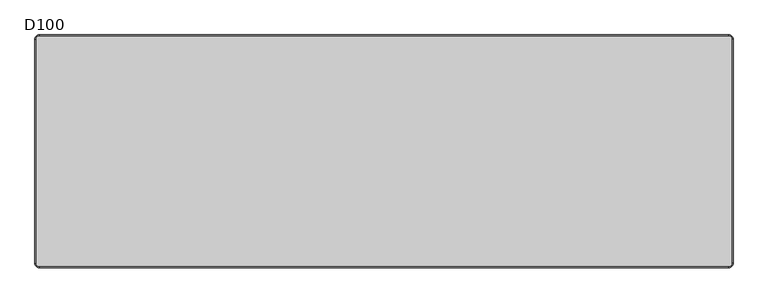
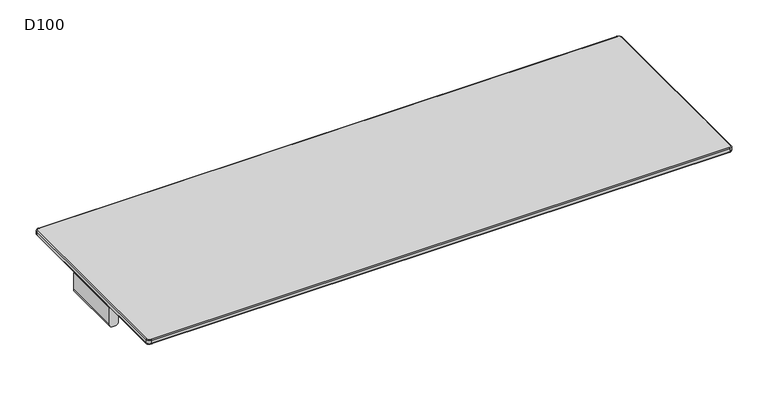
"""IFC4 building model written with IfcOpenShell, lengths in millimetres: furniture geometry, D100."""

from ifc_helpers import new_model, si_unit, point, frame, frame_2d, origin, place, context, project, spatial, polyline, circle_curve, ellipse_curve, trimmed, segment, composite_curve, outline, extrude, source, transform, mapped, element, save
from ifc_brep_helpers import plane_surface, cylinder_surface, revolved_surface, advanced_brep


def d100_18806be6(model_context):
    return source(origin(), model_context, "Body", "SolidModel", [
        extrude(outline(composite_curve([segment(polyline([(791.0006338, 1499.0), (880.0006338, 1499.0), (880.0006338, 1454.0), (791.0006338, 1454.0)]), True, "CONTINUOUS"), segment(trimmed(circle_curve(frame_2d((791.0006338, 1469.0)), 15.0), [point((791.0006338, 1454.0))], [point((776.0006338, 1469.0))], False, "CARTESIAN"), True, "CONTINUOUS"), segment(polyline([(776.0006338, 1469.0), (776.0006338, 1484.0)]), True, "CONTINUOUS"), segment(trimmed(circle_curve(frame_2d((791.0006338, 1484.0)), 15.0), [point((776.0006338, 1484.0))], [point((791.0006338, 1499.0))], False, "CARTESIAN"), True, "CONTINUOUS")], self_intersect=False)), frame((0.0, -159.2234902, 0.0), z_axis=(0.0, 1.0, 0.0), x_axis=(0.0, 0.0, 1.0)), (0.0, 0.0, 1.0), 318.4469804),
        extrude(outline(composite_curve([segment(polyline([(791.0006338, 0.0), (880.0006338, 0.0), (880.0006338, -45.0), (791.0006338, -45.0)]), True, "CONTINUOUS"), segment(trimmed(circle_curve(frame_2d((791.0006338, -30.0)), 15.0), [point((791.0006338, -45.0))], [point((776.0006338, -30.0))], False, "CARTESIAN"), True, "CONTINUOUS"), segment(polyline([(776.0006338, -30.0), (776.0006338, -15.0)]), True, "CONTINUOUS"), segment(trimmed(circle_curve(frame_2d((791.0006338, -15.0)), 15.0), [point((776.0006338, -15.0))], [point((791.0006338, 0.0))], False, "CARTESIAN"), True, "CONTINUOUS")], self_intersect=False)), frame((0.0, -159.2234902, 0.0), z_axis=(0.0, 1.0, 0.0), x_axis=(0.0, 0.0, 1.0)), (0.0, 0.0, 1.0), 318.4469804),
        extrude(outline(composite_curve([segment(trimmed(circle_curve(frame_2d((791.0006338, 15.0)), 15.0), [point((791.0006338, 0.0))], [point((776.0006338, 15.0))], False, "CARTESIAN"), True, "CONTINUOUS"), segment(polyline([(776.0006338, 15.0), (776.0006338, 30.0)]), True, "CONTINUOUS"), segment(trimmed(circle_curve(frame_2d((791.0006338, 30.0)), 15.0), [point((776.0006338, 30.0))], [point((791.0006338, 45.0))], False, "CARTESIAN"), True, "CONTINUOUS"), segment(polyline([(791.0006338, 45.0), (880.0006338, 45.0), (880.0006338, 0.0), (791.0006338, 0.0)]), True, "CONTINUOUS")], self_intersect=False)), frame((0.0, -159.2234902, 0.0), z_axis=(0.0, 1.0, 0.0), x_axis=(0.0, 0.0, 1.0)), (0.0, 0.0, 1.0), 318.4469804),
        extrude(outline(composite_curve([segment(trimmed(circle_curve(frame_2d((791.0006338, -1484.0)), 15.0), [point((791.0006338, -1499.0))], [point((776.0006338, -1484.0))], False, "CARTESIAN"), True, "CONTINUOUS"), segment(polyline([(776.0006338, -1484.0), (776.0006338, -1469.0)]), True, "CONTINUOUS"), segment(trimmed(circle_curve(frame_2d((791.0006338, -1469.0)), 15.0), [point((776.0006338, -1469.0))], [point((791.0006338, -1454.0))], False, "CARTESIAN"), True, "CONTINUOUS"), segment(polyline([(791.0006338, -1454.0), (880.0006338, -1454.0), (880.0006338, -1499.0), (791.0006338, -1499.0)]), True, "CONTINUOUS")], self_intersect=False)), frame((0.0, -159.2234902, 0.0), z_axis=(0.0, 1.0, 0.0), x_axis=(0.0, 0.0, 1.0)), (0.0, 0.0, 1.0), 318.4469804),
        advanced_brep(
        [(-1482.0, 495.0, 912.0006338), (-1495.0, 482.0, 912.0006338), (-1495.0, -482.0, 912.0006338), (-1482.0, -495.0, 912.0006338), (1482.0, -495.0, 912.0006338), (1495.0, -482.0, 912.0006338), (1495.0, 482.0, 912.0006338), (1482.0, 495.0, 912.0006338), (-1495.0, 482.0, 886.0006338), (-1482.0, 495.0, 886.0006338), (1482.0, 495.0, 886.0006338), (1495.0, 482.0, 886.0006338), (1495.0, -482.0, 886.0006338), (1482.0, -495.0, 886.0006338), (-1482.0, -495.0, 886.0006338), (-1495.0, -482.0, 886.0006338), (-1500.0, 482.0, 907.0006383), (-1500.0, 482.0, 891.0006338), (-1500.0, -482.0, 891.0006338), (-1500.0, -482.0, 907.0006338), (-1482.0, -500.0, 891.0006338), (-1482.0, -500.0, 907.0006363), (1482.0, -500.0, 891.0006338), (1482.0, -500.0, 907.0006338), (1500.0, -482.0, 891.0006338), (1500.0, -482.0, 907.0006359), (1500.0, 482.0, 891.0006338), (1500.0, 482.0, 907.0006338), (-1482.0, 500.0, 891.0006338), (-1482.0, 500.0, 907.0006338), (1482.0, 500.0, 891.0006338), (1482.0, 500.0, 907.0006338)],
        [
            (0, 1, circle_curve(frame((-1482.0, 482.0, 912.0006338), z_axis=(0.0, 0.0, 1.0), x_axis=(0.0, 1.0, 0.0)), 13.0)),
            (1, 2),
            (2, 3, circle_curve(frame((-1482.0, -482.0, 912.0006338), z_axis=(0.0, 0.0, 1.0), x_axis=(-1.0, 0.0, 0.0)), 13.0)),
            (3, 4),
            (4, 5, circle_curve(frame((1482.0, -482.0, 912.0006338), z_axis=(0.0, 0.0, 1.0), x_axis=(0.0, -1.0, 0.0)), 13.0)),
            (5, 6),
            (6, 7, circle_curve(frame((1482.0, 482.0, 912.0006338), z_axis=(0.0, 0.0, 1.0), x_axis=(1.0, 0.0, 0.0)), 13.0)),
            (7, 0),
            (8, 9, circle_curve(frame((-1482.0, 482.0, 886.0006338), z_axis=(0.0, 0.0, -1.0), x_axis=(0.0, 1.0, 0.0)), 13.0)),
            (9, 10),
            (10, 11, circle_curve(frame((1482.0, 482.0, 886.0006338), z_axis=(0.0, 0.0, -1.0), x_axis=(1.0, 0.0, 0.0)), 13.0)),
            (11, 12),
            (12, 13, circle_curve(frame((1482.0, -482.0, 886.0006338), z_axis=(0.0, 0.0, -1.0), x_axis=(0.0, -1.0, 0.0)), 13.0)),
            (13, 14),
            (14, 15, circle_curve(frame((-1482.0, -482.0, 886.0006338), z_axis=(0.0, 0.0, -1.0), x_axis=(-1.0, 0.0, 0.0)), 13.0)),
            (15, 8),
            (16, 17),
            (17, 18),
            (18, 19),
            (19, 16),
            (18, 20, circle_curve(frame((-1482.0, -482.0, 891.0006338), z_axis=(0.0, 0.0, 1.0), x_axis=(1.0, 0.0, 0.0)), 18.0)),
            (20, 21),
            (21, 19, circle_curve(frame((-1482.0, -482.0, 907.0006338), z_axis=(0.0, 0.0, -1.0), x_axis=(1.0, 0.0, 0.0)), 18.0)),
            (20, 22),
            (22, 23),
            (23, 21),
            (22, 24, circle_curve(frame((1482.0, -482.0, 891.0006338), z_axis=(0.0, 0.0, 1.0), x_axis=(1.0, 0.0, 0.0)), 18.0)),
            (24, 25),
            (25, 23, circle_curve(frame((1482.0, -482.0, 907.0006338), z_axis=(0.0, 0.0, -1.0), x_axis=(1.0, 0.0, 0.0)), 18.0)),
            (24, 26),
            (26, 27),
            (27, 25),
            (8, 17, circle_curve(frame((-1495.0, 482.0, 891.0006338), z_axis=(0.0, 1.0, 0.0), x_axis=(1.0, 0.0, 0.0)), 5.0)),
            (17, 28, circle_curve(frame((-1482.0, 482.0, 891.0006338), z_axis=(0.0, 0.0, -1.0), x_axis=(0.0, 1.0, 0.0)), 18.0)),
            (28, 9, circle_curve(frame((-1482.0, 495.0, 891.0006338), z_axis=(-1.0, 0.0, 0.0), x_axis=(0.0, -1.0, 0.0)), 5.0)),
            (16, 1, circle_curve(frame((-1495.0, 482.0, 907.0006338), z_axis=(0.0, 1.0, 0.0), x_axis=(1.0, 0.0, 0.0)), 5.0)),
            (0, 29, circle_curve(frame((-1482.0, 495.0, 907.0006338), z_axis=(-1.0, 0.0, 0.0), x_axis=(0.0, -1.0, 0.0)), 5.0)),
            (29, 16, circle_curve(frame((-1482.0, 482.0, 907.0006338), z_axis=(0.0, 0.0, 1.0), x_axis=(0.0, 1.0, 0.0)), 18.0)),
            (15, 18, circle_curve(frame((-1495.0, -482.0, 891.0006338), z_axis=(0.0, 1.0, 0.0), x_axis=(1.0, 0.0, 0.0)), 5.0)),
            (19, 2, circle_curve(frame((-1495.0, -482.0, 907.0006338), z_axis=(0.0, 1.0, 0.0), x_axis=(1.0, 0.0, 0.0)), 5.0)),
            (14, 20, circle_curve(frame((-1482.0, -495.0, 891.0006338), z_axis=(-1.0, 0.0, 0.0), x_axis=(0.0, 1.0, 0.0)), 5.0)),
            (21, 3, circle_curve(frame((-1482.0, -495.0, 907.0006338), z_axis=(-1.0, 0.0, 0.0), x_axis=(0.0, 1.0, 0.0)), 5.0)),
            (13, 22, circle_curve(frame((1482.0, -495.0, 891.0006338), z_axis=(-1.0, 0.0, 0.0), x_axis=(0.0, 1.0, 0.0)), 5.0)),
            (23, 4, circle_curve(frame((1482.0, -495.0, 907.0006338), z_axis=(-1.0, 0.0, 0.0), x_axis=(0.0, 1.0, 0.0)), 5.0)),
            (12, 24, circle_curve(frame((1495.0, -482.0, 891.0006338), z_axis=(0.0, -1.0, 0.0), x_axis=(-1.0, 0.0, 0.0)), 5.0)),
            (25, 5, circle_curve(frame((1495.0, -482.0, 907.0006338), z_axis=(0.0, -1.0, 0.0), x_axis=(-1.0, 0.0, 0.0)), 5.0)),
            (11, 26, circle_curve(frame((1495.0, 482.0, 891.0006338), z_axis=(0.0, -1.0, 0.0), x_axis=(-1.0, 0.0, 0.0)), 5.0)),
            (27, 6, circle_curve(frame((1495.0, 482.0, 907.0006338), z_axis=(0.0, -1.0, 0.0), x_axis=(-1.0, 0.0, 0.0)), 5.0)),
            (10, 30, circle_curve(frame((1482.0, 495.0, 891.0006338), z_axis=(1.0, 0.0, 0.0), x_axis=(0.0, -1.0, 0.0)), 5.0)),
            (30, 26, circle_curve(frame((1482.0, 482.0, 891.0006338), z_axis=(0.0, 0.0, -1.0), x_axis=(1.0, 0.0, 0.0)), 18.0)),
            (27, 31, circle_curve(frame((1482.0, 482.0, 907.0006338), z_axis=(0.0, 0.0, 1.0), x_axis=(1.0, 0.0, 0.0)), 18.0)),
            (31, 7, circle_curve(frame((1482.0, 495.0, 907.0006338), z_axis=(1.0, 0.0, 0.0), x_axis=(0.0, -1.0, 0.0)), 5.0)),
            (28, 30),
            (31, 29),
            (30, 31),
            (28, 29),
        ],
        [
            plane_surface(frame((-1500.0, -482.0, 912.0006338), z_axis=(0.0, 0.0, 1.0), x_axis=(0.0, -1.0, 0.0))),
            plane_surface(frame((-1500.0, -482.0, 886.0006338), z_axis=(0.0, 0.0, -1.0), x_axis=(0.0, 1.0, 0.0))),
            plane_surface(frame((-1500.0, 482.0, 912.0006338), z_axis=(-1.0, 0.0, 0.0), x_axis=(0.0, 0.0, -1.0))),
            cylinder_surface(frame((-1482.0, -482.0, 886.0006338), z_axis=(0.0, 0.0, 1.0), x_axis=(1.0, 0.0, 0.0)), 18.0),
            plane_surface(frame((-1482.0, -500.0, 912.0006338), z_axis=(0.0, -1.0, 0.0), x_axis=(0.0, 0.0, -1.0))),
            cylinder_surface(frame((1482.0, -482.0, 886.0006338), z_axis=(0.0, 0.0, 1.0), x_axis=(1.0, 0.0, 0.0)), 18.0),
            plane_surface(frame((1500.0, -482.0, 912.0006338), z_axis=(1.0, 0.0, 0.0), x_axis=(0.0, 0.0, -1.0))),
            revolved_surface(trimmed(ellipse_curve(frame((-1482.0, 495.0, 891.0006338), z_axis=(1.0, 0.0, 0.0), x_axis=(0.0, -1.0, 0.0)), 5.0, 5.0), [point((-1482.0, 495.0, 886.0006338))], [point((-1482.0, 500.0, 891.0006338))], True, "CARTESIAN"), (-1482.0, 482.0, 0.0006338), (0.0, 0.0, 1.0)),
            revolved_surface(trimmed(ellipse_curve(frame((-1482.0, 495.0, 907.0006338), z_axis=(1.0, 0.0, 0.0), x_axis=(0.0, -1.0, 0.0)), 5.0, 5.0), [point((-1482.0, 500.0, 907.0006338))], [point((-1482.0, 495.0, 912.0006338))], True, "CARTESIAN"), (-1482.0, 482.0, 0.0006338), (0.0, 0.0, 1.0)),
            cylinder_surface(frame((-1495.0, 482.0, 891.0006338), z_axis=(0.0, -1.0, 0.0), x_axis=(1.0, 0.0, 0.0)), 5.0),
            cylinder_surface(frame((-1495.0, 482.0, 907.0006338), z_axis=(0.0, -1.0, 0.0), x_axis=(1.0, 0.0, 0.0)), 5.0),
            revolved_surface(trimmed(ellipse_curve(frame((-1495.0, -482.0, 891.0006338), z_axis=(0.0, 1.0, 0.0), x_axis=(1.0, 0.0, 0.0)), 5.0, 5.0), [point((-1495.0, -482.0, 886.0006338))], [point((-1500.0, -482.0, 891.0006338))], True, "CARTESIAN"), (-1482.0, -482.0, 0.0006338), (0.0, 0.0, 1.0)),
            revolved_surface(trimmed(ellipse_curve(frame((-1495.0, -482.0, 907.0006338), z_axis=(0.0, 1.0, 0.0), x_axis=(1.0, 0.0, 0.0)), 5.0, 5.0), [point((-1500.0, -482.0, 907.0006338))], [point((-1495.0, -482.0, 912.0006338))], True, "CARTESIAN"), (-1482.0, -482.0, 0.0006338), (0.0, 0.0, 1.0)),
            cylinder_surface(frame((-1482.0, -495.0, 891.0006338), z_axis=(1.0, 0.0, 0.0), x_axis=(0.0, 1.0, 0.0)), 5.0),
            cylinder_surface(frame((-1482.0, -495.0, 907.0006338), z_axis=(1.0, 0.0, 0.0), x_axis=(0.0, 1.0, 0.0)), 5.0),
            revolved_surface(trimmed(ellipse_curve(frame((1482.0, -495.0, 891.0006338), z_axis=(-1.0, 0.0, 0.0), x_axis=(0.0, 1.0, 0.0)), 5.0, 5.0), [point((1482.0, -495.0, 886.0006338))], [point((1482.0, -500.0, 891.0006338))], True, "CARTESIAN"), (1482.0, -482.0, 0.0006338), (0.0, 0.0, 1.0)),
            revolved_surface(trimmed(ellipse_curve(frame((1482.0, -495.0, 907.0006338), z_axis=(-1.0, 0.0, 0.0), x_axis=(0.0, 1.0, 0.0)), 5.0, 5.0), [point((1482.0, -500.0, 907.0006338))], [point((1482.0, -495.0, 912.0006338))], True, "CARTESIAN"), (1482.0, -482.0, 0.0006338), (0.0, 0.0, 1.0)),
            cylinder_surface(frame((1495.0, -482.0, 891.0006338), z_axis=(0.0, 1.0, 0.0), x_axis=(-1.0, 0.0, 0.0)), 5.0),
            cylinder_surface(frame((1495.0, -482.0, 907.0006338), z_axis=(0.0, 1.0, 0.0), x_axis=(-1.0, 0.0, 0.0)), 5.0),
            revolved_surface(trimmed(ellipse_curve(frame((1495.0, 482.0, 891.0006338), z_axis=(0.0, -1.0, 0.0), x_axis=(-1.0, 0.0, 0.0)), 5.0, 5.0), [point((1495.0, 482.0, 886.0006338))], [point((1500.0, 482.0, 891.0006338))], True, "CARTESIAN"), (1482.0, 482.0, 0.0006338), (0.0, 0.0, 1.0)),
            revolved_surface(trimmed(ellipse_curve(frame((1495.0, 482.0, 907.0006338), z_axis=(0.0, -1.0, 0.0), x_axis=(-1.0, 0.0, 0.0)), 5.0, 5.0), [point((1500.0, 482.0, 907.0006338))], [point((1495.0, 482.0, 912.0006338))], True, "CARTESIAN"), (1482.0, 482.0, 0.0006338), (0.0, 0.0, 1.0)),
            cylinder_surface(frame((1482.0, 495.0, 891.0006338), z_axis=(-1.0, 0.0, 0.0), x_axis=(0.0, -1.0, 0.0)), 5.0),
            cylinder_surface(frame((1482.0, 495.0, 907.0006338), z_axis=(-1.0, 0.0, 0.0), x_axis=(0.0, -1.0, 0.0)), 5.0),
            cylinder_surface(frame((1482.0, 482.0, 886.0006338), z_axis=(0.0, 0.0, 1.0), x_axis=(1.0, 0.0, 0.0)), 18.0),
            plane_surface(frame((1482.0, 500.0, 912.0006338), z_axis=(0.0, 1.0, 0.0), x_axis=(0.0, 0.0, -1.0))),
            cylinder_surface(frame((-1482.0, 482.0, 886.0006338), z_axis=(0.0, 0.0, 1.0), x_axis=(1.0, 0.0, 0.0)), 18.0),
        ],
        [
            (0, [[1, 2, 3, 4, 5, 6, 7, 8]]),
            (1, [[9, 10, 11, 12, 13, 14, 15, 16]]),
            (2, [[17, 18, 19, 20]]),
            (3, [[-19, 21, 22, 23]]),
            (4, [[-22, 24, 25, 26]]),
            (5, [[-25, 27, 28, 29]]),
            (6, [[-28, 30, 31, 32]]),
            (7, [[33, 34, 35, -9]]),
            (8, [[36, -1, 37, 38]]),
            (9, [[-33, -16, 39, -18]]),
            (10, [[-36, -20, 40, -2]]),
            (11, [[-39, -15, 41, -21]]),
            (12, [[-40, -23, 42, -3]]),
            (13, [[-41, -14, 43, -24]]),
            (14, [[-42, -26, 44, -4]]),
            (15, [[-43, -13, 45, -27]]),
            (16, [[-44, -29, 46, -5]]),
            (17, [[-45, -12, 47, -30]]),
            (18, [[-46, -32, 48, -6]]),
            (19, [[-47, -11, 49, 50]]),
            (20, [[-48, 51, 52, -7]]),
            (21, [[-35, 53, -49, -10]]),
            (22, [[-37, -8, -52, 54]]),
            (23, [[-31, -50, 55, -51]]),
            (24, [[-55, -53, 56, -54]]),
            (25, [[-17, -38, -56, -34]]),
        ],
    ),
        advanced_brep(
        [(1429.2740174, -165.2234902, 821.5334099), (1454.0036896, -165.2234902, 791.3333097), (1469.0, -165.2234902, 776.0006338), (1484.0, -165.2234902, 776.0006338), (1499.0, -165.2234902, 791.0006338), (1499.0, -165.2234902, 880.0006338), (1239.0, -165.2234902, 880.0006338), (1239.0, -165.2234902, 872.1904661), (1255.4913675, -165.2234902, 852.5006338), (1429.2740174, -159.2234902, 821.5334099), (1255.4913675, -159.2234902, 852.5006338), (1239.0, -159.2234902, 872.1904661), (1239.0, -159.2234902, 880.0006338), (1499.0, -159.2234902, 880.0006338), (1499.0, -159.2234902, 791.0006338), (1484.0, -159.2234902, 776.0006338), (1469.0, -159.2234902, 776.0006338), (1454.0036896, -159.2234902, 791.3333097), (1499.0, -113.2234902, 880.0006338), (1499.0, -113.2234902, 886.0006338), (1499.0, -211.2234902, 886.0006338), (1499.0, -211.2234902, 880.0006338), (1483.0, -97.2234902, 886.0006338), (1255.0, -97.2234902, 886.0006338), (1239.0, -113.2234902, 886.0006338), (1239.0, -211.2234902, 886.0006338), (1255.0, -227.2234902, 886.0006338), (1483.0, -227.2234902, 886.0006338), (1239.0, -113.2234902, 880.0006338), (1239.0, -211.2234902, 880.0006338), (1483.0, -97.2234902, 880.0006338), (1255.0, -97.2234902, 880.0006338), (1483.0, -227.2234902, 880.0006338), (1255.0, -227.2234902, 880.0006338)],
        [
            (0, 1, circle_curve(frame((1424.0110687, -165.2234902, 791.9986614), z_axis=(0.0, 1.0, 0.0), x_axis=(1.0, 0.0, 0.0)), 30.0)),
            (1, 2, circle_curve(frame((1469.0, -165.2234902, 791.0006338), z_axis=(0.0, -1.0, 0.0), x_axis=(1.0, 0.0, 0.0)), 15.0)),
            (2, 3),
            (3, 4, circle_curve(frame((1484.0, -165.2234902, 791.0006338), z_axis=(0.0, -1.0, 0.0), x_axis=(1.0, 0.0, 0.0)), 15.0)),
            (4, 5),
            (5, 6),
            (6, 7),
            (7, 8, circle_curve(frame((1259.0, -165.2234902, 872.1904661), z_axis=(0.0, -1.0, 0.0), x_axis=(1.0, 0.0, 0.0)), 20.0)),
            (8, 0),
            (9, 10),
            (10, 11, circle_curve(frame((1259.0, -159.2234902, 872.1904661), z_axis=(0.0, 1.0, 0.0), x_axis=(1.0, 0.0, 0.0)), 20.0)),
            (11, 12),
            (12, 13),
            (13, 14),
            (14, 15, circle_curve(frame((1484.0, -159.2234902, 791.0006338), z_axis=(0.0, 1.0, 0.0), x_axis=(1.0, 0.0, 0.0)), 15.0)),
            (15, 16),
            (16, 17, circle_curve(frame((1469.0, -159.2234902, 791.0006338), z_axis=(0.0, 1.0, 0.0), x_axis=(1.0, 0.0, 0.0)), 15.0)),
            (17, 9, circle_curve(frame((1424.0110687, -159.2234902, 791.9986614), z_axis=(0.0, -1.0, 0.0), x_axis=(1.0, 0.0, 0.0)), 30.0)),
            (0, 9),
            (17, 1),
            (4, 14),
            (13, 18),
            (18, 19),
            (19, 20),
            (20, 21),
            (21, 5),
            (19, 22, circle_curve(frame((1483.0, -113.2234902, 886.0006338), z_axis=(0.0, 0.0, 1.0), x_axis=(-1.0, 0.0, 0.0)), 16.0)),
            (22, 23),
            (23, 24, circle_curve(frame((1255.0, -113.2234902, 886.0006338), z_axis=(0.0, 0.0, 1.0), x_axis=(-1.0, 0.0, 0.0)), 16.0)),
            (24, 25),
            (25, 26, circle_curve(frame((1255.0, -211.2234902, 886.0006338), z_axis=(0.0, 0.0, 1.0), x_axis=(-1.0, 0.0, 0.0)), 16.0)),
            (26, 27),
            (27, 20, circle_curve(frame((1483.0, -211.2234902, 886.0006338), z_axis=(0.0, 0.0, 1.0), x_axis=(-1.0, 0.0, 0.0)), 16.0)),
            (24, 28),
            (28, 12),
            (11, 7),
            (6, 29),
            (29, 25),
            (10, 8),
            (16, 2),
            (15, 3),
            (30, 18, circle_curve(frame((1483.0, -113.2234902, 880.0006338), z_axis=(0.0, 0.0, -1.0), x_axis=(-1.0, 0.0, 0.0)), 16.0)),
            (28, 31, circle_curve(frame((1255.0, -113.2234902, 880.0006338), z_axis=(0.0, 0.0, -1.0), x_axis=(-1.0, 0.0, 0.0)), 16.0)),
            (31, 30),
            (21, 32, circle_curve(frame((1483.0, -211.2234902, 880.0006338), z_axis=(0.0, 0.0, -1.0), x_axis=(-1.0, 0.0, 0.0)), 16.0)),
            (32, 33),
            (33, 29, circle_curve(frame((1255.0, -211.2234902, 880.0006338), z_axis=(0.0, 0.0, -1.0), x_axis=(-1.0, 0.0, 0.0)), 16.0)),
            (30, 22),
            (27, 32),
            (26, 33),
            (23, 31),
        ],
        [
            plane_surface(frame((1454.0110687, -165.2234902, 791.9986614), z_axis=(0.0, -1.0, 0.0), x_axis=(0.0, 0.0, -1.0))),
            plane_surface(frame((1454.0110687, -159.2234902, 791.9986614), z_axis=(0.0, 1.0, 0.0), x_axis=(0.0, 0.0, 1.0))),
            revolved_surface(polyline([(1454.0110687, -159.2234902, 791.9986614), (1454.0110687, -165.2234902, 791.9986614)]), (1424.0110687, -159.2234902, 791.9986614), (0.0, 1.0, 0.0)),
            plane_surface(frame((1499.0, -165.2234902, 791.0006338), z_axis=(1.0, 0.0, 0.0), x_axis=(0.0, 1.0, 0.0))),
            plane_surface(frame((1499.0, -165.2234902, 886.0006338), z_axis=(0.0, 0.0, 1.0), x_axis=(0.0, 1.0, 0.0))),
            plane_surface(frame((1239.0, -165.2234902, 886.0006338), z_axis=(-1.0, 0.0, 0.0), x_axis=(0.0, 1.0, 0.0))),
            cylinder_surface(frame((1259.0, -159.2234902, 872.1904661), z_axis=(0.0, -1.0, 0.0), x_axis=(1.0, 0.0, 0.0)), 20.0),
            plane_surface(frame((1255.4913675, -165.2234902, 852.5006338), z_axis=(-0.17543162299465118, 0.0, -0.984491617868564), x_axis=(0.0, 1.0, 0.0))),
            cylinder_surface(frame((1469.0, -159.2234902, 791.0006338), z_axis=(0.0, -1.0, 0.0), x_axis=(1.0, 0.0, 0.0)), 15.0),
            plane_surface(frame((1469.0, -165.2234902, 776.0006338), z_axis=(0.0, 0.0, -1.0), x_axis=(0.0, 1.0, 0.0))),
            cylinder_surface(frame((1484.0, -159.2234902, 791.0006338), z_axis=(0.0, -1.0, 0.0), x_axis=(1.0, 0.0, 0.0)), 15.0),
            plane_surface(frame((1255.0, -97.2234902, 880.0006338), z_axis=(0.0, 0.0, -1.0), x_axis=(1.0, 0.0, 0.0))),
            cylinder_surface(frame((1483.0, -113.2234902, 880.0006338), z_axis=(0.0, 0.0, 1.0), x_axis=(-1.0, 0.0, 0.0)), 16.0),
            cylinder_surface(frame((1483.0, -211.2234902, 880.0006338), z_axis=(0.0, 0.0, 1.0), x_axis=(-1.0, 0.0, 0.0)), 16.0),
            plane_surface(frame((1255.0, -227.2234902, 886.0006338), z_axis=(0.0, -1.0, 0.0), x_axis=(0.0, 0.0, -1.0))),
            cylinder_surface(frame((1255.0, -211.2234902, 880.0006338), z_axis=(0.0, 0.0, 1.0), x_axis=(-1.0, 0.0, 0.0)), 16.0),
            cylinder_surface(frame((1255.0, -113.2234902, 880.0006338), z_axis=(0.0, 0.0, 1.0), x_axis=(-1.0, 0.0, 0.0)), 16.0),
            plane_surface(frame((1483.0, -97.2234902, 886.0006338), z_axis=(0.0, 1.0, 0.0), x_axis=(0.0, 0.0, -1.0))),
        ],
        [
            (0, [[1, 2, 3, 4, 5, 6, 7, 8, 9]]),
            (1, [[10, 11, 12, 13, 14, 15, 16, 17, 18]]),
            (2, [[-1, 19, -18, 20]]),
            (3, [[21, -14, 22, 23, 24, 25, 26, -5]]),
            (4, [[-24, 27, 28, 29, 30, 31, 32, 33]]),
            (5, [[-30, 34, 35, -12, 36, -7, 37, 38]]),
            (6, [[-8, -36, -11, 39]]),
            (7, [[-9, -39, -10, -19]]),
            (8, [[-2, -20, -17, 40]]),
            (9, [[-3, -40, -16, 41]]),
            (10, [[-4, -41, -15, -21]]),
            (11, [[42, -22, -13, -35, 43, 44]]),
            (11, [[45, 46, 47, -37, -6, -26]]),
            (12, [[-27, -23, -42, 48]]),
            (13, [[-33, 49, -45, -25]]),
            (14, [[-32, 50, -46, -49]]),
            (15, [[-31, -38, -47, -50]]),
            (16, [[-29, 51, -43, -34]]),
            (17, [[-28, -48, -44, -51]]),
        ],
    ),
        advanced_brep(
        [(1429.2740174, 165.2234902, 821.5334099), (1255.4913675, 165.2234902, 852.5006338), (1239.0, 165.2234902, 872.1904661), (1239.0, 165.2234902, 880.0006338), (1499.0, 165.2234902, 880.0006338), (1499.0, 165.2234902, 791.0006338), (1484.0, 165.2234902, 776.0006338), (1469.0, 165.2234902, 776.0006338), (1454.0036896, 165.2234902, 791.3333097), (1429.2740174, 159.2234902, 821.5334099), (1454.0036896, 159.2234902, 791.3333097), (1469.0, 159.2234902, 776.0006338), (1484.0, 159.2234902, 776.0006338), (1499.0, 159.2234902, 791.0006338), (1499.0, 159.2234902, 880.0006338), (1239.0, 159.2234902, 880.0006338), (1239.0, 159.2234902, 872.1904661), (1255.4913675, 159.2234902, 852.5006338), (1499.0, 113.2234902, 886.0006338), (1499.0, 113.2234902, 880.0006338), (1499.0, 211.2234902, 880.0006338), (1499.0, 211.2234902, 886.0006338), (1483.0, 227.2234902, 886.0006338), (1255.0, 227.2234902, 886.0006338), (1239.0, 211.2234902, 886.0006338), (1239.0, 113.2234902, 886.0006338), (1255.0, 97.2234902, 886.0006338), (1483.0, 97.2234902, 886.0006338), (1239.0, 211.2234902, 880.0006338), (1239.0, 113.2234902, 880.0006338), (1483.0, 97.2234902, 880.0006338), (1255.0, 97.2234902, 880.0006338), (1255.0, 227.2234902, 880.0006338), (1483.0, 227.2234902, 880.0006338)],
        [
            (0, 1),
            (1, 2, circle_curve(frame((1259.0, 165.2234902, 872.1904661), z_axis=(0.0, 1.0, 0.0), x_axis=(1.0, 0.0, 0.0)), 20.0)),
            (2, 3),
            (3, 4),
            (4, 5),
            (5, 6, circle_curve(frame((1484.0, 165.2234902, 791.0006338), z_axis=(0.0, 1.0, 0.0), x_axis=(1.0, 0.0, 0.0)), 15.0)),
            (6, 7),
            (7, 8, circle_curve(frame((1469.0, 165.2234902, 791.0006338), z_axis=(0.0, 1.0, 0.0), x_axis=(1.0, 0.0, 0.0)), 15.0)),
            (8, 0, circle_curve(frame((1424.0110687, 165.2234902, 791.9986614), z_axis=(0.0, -1.0, 0.0), x_axis=(1.0, 0.0, 0.0)), 30.0)),
            (9, 10, circle_curve(frame((1424.0110687, 159.2234902, 791.9986614), z_axis=(0.0, 1.0, 0.0), x_axis=(1.0, 0.0, 0.0)), 30.0)),
            (10, 11, circle_curve(frame((1469.0, 159.2234902, 791.0006338), z_axis=(0.0, -1.0, 0.0), x_axis=(1.0, 0.0, 0.0)), 15.0)),
            (11, 12),
            (12, 13, circle_curve(frame((1484.0, 159.2234902, 791.0006338), z_axis=(0.0, -1.0, 0.0), x_axis=(1.0, 0.0, 0.0)), 15.0)),
            (13, 14),
            (14, 15),
            (15, 16),
            (16, 17, circle_curve(frame((1259.0, 159.2234902, 872.1904661), z_axis=(0.0, -1.0, 0.0), x_axis=(1.0, 0.0, 0.0)), 20.0)),
            (17, 9),
            (8, 10),
            (9, 0),
            (18, 19),
            (19, 14),
            (13, 5),
            (4, 20),
            (20, 21),
            (21, 18),
            (21, 22, circle_curve(frame((1483.0, 211.2234902, 886.0006338), z_axis=(0.0, 0.0, 1.0), x_axis=(-1.0, 0.0, 0.0)), 16.0)),
            (22, 23),
            (23, 24, circle_curve(frame((1255.0, 211.2234902, 886.0006338), z_axis=(0.0, 0.0, 1.0), x_axis=(-1.0, 0.0, 0.0)), 16.0)),
            (24, 25),
            (25, 26, circle_curve(frame((1255.0, 113.2234902, 886.0006338), z_axis=(0.0, 0.0, 1.0), x_axis=(-1.0, 0.0, 0.0)), 16.0)),
            (26, 27),
            (27, 18, circle_curve(frame((1483.0, 113.2234902, 886.0006338), z_axis=(0.0, 0.0, 1.0), x_axis=(-1.0, 0.0, 0.0)), 16.0)),
            (24, 28),
            (28, 3),
            (2, 16),
            (15, 29),
            (29, 25),
            (1, 17),
            (7, 11),
            (6, 12),
            (30, 31),
            (31, 29, circle_curve(frame((1255.0, 113.2234902, 880.0006338), z_axis=(0.0, 0.0, -1.0), x_axis=(-1.0, 0.0, 0.0)), 16.0)),
            (19, 30, circle_curve(frame((1483.0, 113.2234902, 880.0006338), z_axis=(0.0, 0.0, -1.0), x_axis=(-1.0, 0.0, 0.0)), 16.0)),
            (28, 32, circle_curve(frame((1255.0, 211.2234902, 880.0006338), z_axis=(0.0, 0.0, -1.0), x_axis=(-1.0, 0.0, 0.0)), 16.0)),
            (32, 33),
            (33, 20, circle_curve(frame((1483.0, 211.2234902, 880.0006338), z_axis=(0.0, 0.0, -1.0), x_axis=(-1.0, 0.0, 0.0)), 16.0)),
            (27, 30),
            (33, 22),
            (32, 23),
            (31, 26),
        ],
        [
            plane_surface(frame((1255.4913675, 165.2234902, 852.5006338), z_axis=(0.0, 1.0, 0.0), x_axis=(-0.9844916178685641, 0.0, 0.17543162299465065))),
            plane_surface(frame((1255.4913675, 159.2234902, 852.5006338), z_axis=(0.0, -1.0, 0.0), x_axis=(0.9844916178685641, 0.0, -0.17543162299465065))),
            revolved_surface(polyline([(1454.0110687, 159.2234902, 791.9986614), (1454.0110687, 165.2234902, 791.9986614)]), (1424.0110687, 159.2234902, 791.9986614), (0.0, -1.0, 0.0)),
            plane_surface(frame((1499.0, 165.2234902, 886.0006338), z_axis=(1.0, 0.0, 0.0), x_axis=(0.0, -1.0, 0.0))),
            plane_surface(frame((1239.0, 165.2234902, 886.0006338), z_axis=(0.0, 0.0, 1.0), x_axis=(0.0, -1.0, 0.0))),
            plane_surface(frame((1239.0, 165.2234902, 872.1904661), z_axis=(-1.0, 0.0, 0.0), x_axis=(0.0, -1.0, 0.0))),
            cylinder_surface(frame((1259.0, 159.2234902, 872.1904661), z_axis=(0.0, 1.0, 0.0), x_axis=(1.0, 0.0, 0.0)), 20.0),
            plane_surface(frame((1429.2740174, 165.2234902, 821.5334099), z_axis=(-0.17543162299465065, 0.0, -0.9844916178685641), x_axis=(0.0, -1.0, 0.0))),
            cylinder_surface(frame((1469.0, 159.2234902, 791.0006338), z_axis=(0.0, 1.0, 0.0), x_axis=(1.0, 0.0, 0.0)), 15.0),
            plane_surface(frame((1484.0, 165.2234902, 776.0006338), z_axis=(0.0, 0.0, -1.0), x_axis=(0.0, -1.0, 0.0))),
            cylinder_surface(frame((1484.0, 159.2234902, 791.0006338), z_axis=(0.0, 1.0, 0.0), x_axis=(1.0, 0.0, 0.0)), 15.0),
            plane_surface(frame((1467.0, 113.2234902, 880.0006338), z_axis=(0.0, 0.0, -1.0), x_axis=(0.0, 1.0, 0.0))),
            cylinder_surface(frame((1483.0, 113.2234902, 880.0006338), z_axis=(0.0, 0.0, 1.0), x_axis=(-1.0, 0.0, 0.0)), 16.0),
            cylinder_surface(frame((1483.0, 211.2234902, 880.0006338), z_axis=(0.0, 0.0, 1.0), x_axis=(-1.0, 0.0, 0.0)), 16.0),
            plane_surface(frame((1483.0, 227.2234902, 886.0006338), z_axis=(0.0, 1.0, 0.0), x_axis=(0.0, 0.0, -1.0))),
            cylinder_surface(frame((1255.0, 211.2234902, 880.0006338), z_axis=(0.0, 0.0, 1.0), x_axis=(-1.0, 0.0, 0.0)), 16.0),
            cylinder_surface(frame((1255.0, 113.2234902, 880.0006338), z_axis=(0.0, 0.0, 1.0), x_axis=(-1.0, 0.0, 0.0)), 16.0),
            plane_surface(frame((1255.0, 97.2234902, 886.0006338), z_axis=(0.0, -1.0, 0.0), x_axis=(0.0, 0.0, -1.0))),
        ],
        [
            (0, [[1, 2, 3, 4, 5, 6, 7, 8, 9]]),
            (1, [[10, 11, 12, 13, 14, 15, 16, 17, 18]]),
            (2, [[-9, 19, -10, 20]]),
            (3, [[21, 22, -14, 23, -5, 24, 25, 26]]),
            (4, [[-26, 27, 28, 29, 30, 31, 32, 33]]),
            (5, [[-30, 34, 35, -3, 36, -16, 37, 38]]),
            (6, [[-2, 39, -17, -36]]),
            (7, [[-1, -20, -18, -39]]),
            (8, [[-8, 40, -11, -19]]),
            (9, [[-7, 41, -12, -40]]),
            (10, [[-6, -23, -13, -41]]),
            (11, [[42, 43, -37, -15, -22, 44]]),
            (11, [[45, 46, 47, -24, -4, -35]]),
            (12, [[-33, 48, -44, -21]]),
            (13, [[-27, -25, -47, 49]]),
            (14, [[-28, -49, -46, 50]]),
            (15, [[-29, -50, -45, -34]]),
            (16, [[-31, -38, -43, 51]]),
            (17, [[-32, -51, -42, -48]]),
        ],
    ),
        advanced_brep(
        [(69.7259826, 165.2234902, 821.5334099), (44.9963104, 165.2234902, 791.3333097), (30.0, 165.2234902, 776.0006338), (15.0, 165.2234902, 776.0006338), (0.0, 165.2234902, 791.0006338), (0.0, 165.2234902, 880.0006338), (260.0, 165.2234902, 880.0006338), (260.0, 165.2234902, 872.1904661), (243.5086325, 165.2234902, 852.5006338), (69.7259826, 159.2234902, 821.5334099), (243.5086325, 159.2234902, 852.5006338), (260.0, 159.2234902, 872.1904661), (260.0, 159.2234902, 880.0006338), (0.0, 159.2234902, 880.0006338), (0.0, 159.2234902, 791.0006338), (15.0, 159.2234902, 776.0006338), (30.0, 159.2234902, 776.0006338), (44.9963104, 159.2234902, 791.3333097), (0.0, 113.2234902, 880.0006338), (0.0, 113.2234902, 886.0006338), (0.0, 211.2234902, 886.0006338), (0.0, 211.2234902, 880.0006338), (16.0, 97.2234902, 886.0006338), (244.0, 97.2234902, 886.0006338), (260.0, 113.2234902, 886.0006338), (260.0, 211.2234902, 886.0006338), (244.0, 227.2234902, 886.0006338), (16.0, 227.2234902, 886.0006338), (260.0, 113.2234902, 880.0006338), (260.0, 211.2234902, 880.0006338), (16.0, 97.2234902, 880.0006338), (244.0, 97.2234902, 880.0006338), (16.0, 227.2234902, 880.0006338), (244.0, 227.2234902, 880.0006338)],
        [
            (0, 1, circle_curve(frame((74.9889313, 165.2234902, 791.9986614), z_axis=(0.0, -1.0, 0.0), x_axis=(-1.0, 0.0, 0.0)), 30.0)),
            (1, 2, circle_curve(frame((30.0, 165.2234902, 791.0006338), z_axis=(0.0, 1.0, 0.0), x_axis=(-1.0, 0.0, 0.0)), 15.0)),
            (2, 3),
            (3, 4, circle_curve(frame((15.0, 165.2234902, 791.0006338), z_axis=(0.0, 1.0, 0.0), x_axis=(-1.0, 0.0, 0.0)), 15.0)),
            (4, 5),
            (5, 6),
            (6, 7),
            (7, 8, circle_curve(frame((240.0, 165.2234902, 872.1904661), z_axis=(0.0, 1.0, 0.0), x_axis=(-1.0, 0.0, 0.0)), 20.0)),
            (8, 0),
            (9, 10),
            (10, 11, circle_curve(frame((240.0, 159.2234902, 872.1904661), z_axis=(0.0, -1.0, 0.0), x_axis=(-1.0, 0.0, 0.0)), 20.0)),
            (11, 12),
            (12, 13),
            (13, 14),
            (14, 15, circle_curve(frame((15.0, 159.2234902, 791.0006338), z_axis=(0.0, -1.0, 0.0), x_axis=(-1.0, 0.0, 0.0)), 15.0)),
            (15, 16),
            (16, 17, circle_curve(frame((30.0, 159.2234902, 791.0006338), z_axis=(0.0, -1.0, 0.0), x_axis=(-1.0, 0.0, 0.0)), 15.0)),
            (17, 9, circle_curve(frame((74.9889313, 159.2234902, 791.9986614), z_axis=(0.0, 1.0, 0.0), x_axis=(-1.0, 0.0, 0.0)), 30.0)),
            (0, 9),
            (17, 1),
            (4, 14),
            (13, 18),
            (18, 19),
            (19, 20),
            (20, 21),
            (21, 5),
            (19, 22, circle_curve(frame((16.0, 113.2234902, 886.0006338), z_axis=(0.0, 0.0, 1.0), x_axis=(1.0, 0.0, 0.0)), 16.0)),
            (22, 23),
            (23, 24, circle_curve(frame((244.0, 113.2234902, 886.0006338), z_axis=(0.0, 0.0, 1.0), x_axis=(1.0, 0.0, 0.0)), 16.0)),
            (24, 25),
            (25, 26, circle_curve(frame((244.0, 211.2234902, 886.0006338), z_axis=(0.0, 0.0, 1.0), x_axis=(1.0, 0.0, 0.0)), 16.0)),
            (26, 27),
            (27, 20, circle_curve(frame((16.0, 211.2234902, 886.0006338), z_axis=(0.0, 0.0, 1.0), x_axis=(1.0, 0.0, 0.0)), 16.0)),
            (24, 28),
            (28, 12),
            (11, 7),
            (6, 29),
            (29, 25),
            (10, 8),
            (16, 2),
            (15, 3),
            (30, 18, circle_curve(frame((16.0, 113.2234902, 880.0006338), z_axis=(0.0, 0.0, -1.0), x_axis=(1.0, 0.0, 0.0)), 16.0)),
            (28, 31, circle_curve(frame((244.0, 113.2234902, 880.0006338), z_axis=(0.0, 0.0, -1.0), x_axis=(1.0, 0.0, 0.0)), 16.0)),
            (31, 30),
            (21, 32, circle_curve(frame((16.0, 211.2234902, 880.0006338), z_axis=(0.0, 0.0, -1.0), x_axis=(1.0, 0.0, 0.0)), 16.0)),
            (32, 33),
            (33, 29, circle_curve(frame((244.0, 211.2234902, 880.0006338), z_axis=(0.0, 0.0, -1.0), x_axis=(1.0, 0.0, 0.0)), 16.0)),
            (30, 22),
            (27, 32),
            (26, 33),
            (23, 31),
        ],
        [
            plane_surface(frame((44.9889313, 165.2234902, 791.9986614), z_axis=(0.0, 1.0, 0.0), x_axis=(0.0, 0.0, -1.0))),
            plane_surface(frame((44.9889313, 159.2234902, 791.9986614), z_axis=(0.0, -1.0, 0.0), x_axis=(0.0, 0.0, 1.0))),
            revolved_surface(polyline([(44.988931300000004, 159.2234902, 791.9986614), (44.988931300000004, 165.2234902, 791.9986614)]), (74.9889313, 159.2234902, 791.9986614), (0.0, -1.0, 0.0)),
            plane_surface(frame((0.0, 165.2234902, 791.0006338), z_axis=(-1.0, 0.0, 0.0), x_axis=(0.0, -1.0, 0.0))),
            plane_surface(frame((0.0, 165.2234902, 886.0006338), z_axis=(0.0, 0.0, 1.0), x_axis=(0.0, -1.0, 0.0))),
            plane_surface(frame((260.0, 165.2234902, 886.0006338), z_axis=(1.0, 0.0, 0.0), x_axis=(0.0, -1.0, 0.0))),
            cylinder_surface(frame((240.0, 159.2234902, 872.1904661), z_axis=(0.0, 1.0, 0.0), x_axis=(-1.0, 0.0, 0.0)), 20.0),
            plane_surface(frame((243.5086325, 165.2234902, 852.5006338), z_axis=(0.175431622994651, 0.0, -0.9844916178685641), x_axis=(0.0, -1.0, 0.0))),
            cylinder_surface(frame((30.0, 159.2234902, 791.0006338), z_axis=(0.0, 1.0, 0.0), x_axis=(-1.0, 0.0, 0.0)), 15.0),
            plane_surface(frame((30.0, 165.2234902, 776.0006338), z_axis=(0.0, 0.0, -1.0), x_axis=(0.0, -1.0, 0.0))),
            cylinder_surface(frame((15.0, 159.2234902, 791.0006338), z_axis=(0.0, 1.0, 0.0), x_axis=(-1.0, 0.0, 0.0)), 15.0),
            plane_surface(frame((244.0, 97.2234902, 880.0006338), z_axis=(0.0, 0.0, -1.0), x_axis=(-1.0, 0.0, 0.0))),
            cylinder_surface(frame((16.0, 113.2234902, 880.0006338), z_axis=(0.0, 0.0, 1.0), x_axis=(1.0, 0.0, 0.0)), 16.0),
            cylinder_surface(frame((16.0, 211.2234902, 880.0006338), z_axis=(0.0, 0.0, 1.0), x_axis=(1.0, 0.0, 0.0)), 16.0),
            plane_surface(frame((244.0, 227.2234902, 886.0006338), z_axis=(0.0, 1.0, 0.0), x_axis=(0.0, 0.0, -1.0))),
            cylinder_surface(frame((244.0, 211.2234902, 880.0006338), z_axis=(0.0, 0.0, 1.0), x_axis=(1.0, 0.0, 0.0)), 16.0),
            cylinder_surface(frame((244.0, 113.2234902, 880.0006338), z_axis=(0.0, 0.0, 1.0), x_axis=(1.0, 0.0, 0.0)), 16.0),
            plane_surface(frame((16.0, 97.2234902, 886.0006338), z_axis=(0.0, -1.0, 0.0), x_axis=(0.0, 0.0, -1.0))),
        ],
        [
            (0, [[1, 2, 3, 4, 5, 6, 7, 8, 9]]),
            (1, [[10, 11, 12, 13, 14, 15, 16, 17, 18]]),
            (2, [[-1, 19, -18, 20]]),
            (3, [[21, -14, 22, 23, 24, 25, 26, -5]]),
            (4, [[-24, 27, 28, 29, 30, 31, 32, 33]]),
            (5, [[-30, 34, 35, -12, 36, -7, 37, 38]]),
            (6, [[-8, -36, -11, 39]]),
            (7, [[-9, -39, -10, -19]]),
            (8, [[-2, -20, -17, 40]]),
            (9, [[-3, -40, -16, 41]]),
            (10, [[-4, -41, -15, -21]]),
            (11, [[42, -22, -13, -35, 43, 44]]),
            (11, [[45, 46, 47, -37, -6, -26]]),
            (12, [[-27, -23, -42, 48]]),
            (13, [[-33, 49, -45, -25]]),
            (14, [[-32, 50, -46, -49]]),
            (15, [[-31, -38, -47, -50]]),
            (16, [[-29, 51, -43, -34]]),
            (17, [[-28, -48, -44, -51]]),
        ],
    ),
        advanced_brep(
        [(69.7259826, -165.2234902, 821.5334099), (243.5086325, -165.2234902, 852.5006338), (260.0, -165.2234902, 872.1904661), (260.0, -165.2234902, 880.0006338), (0.0, -165.2234902, 880.0006338), (0.0, -165.2234902, 791.0006338), (15.0, -165.2234902, 776.0006338), (30.0, -165.2234902, 776.0006338), (44.9963104, -165.2234902, 791.3333097), (69.7259826, -159.2234902, 821.5334099), (44.9963104, -159.2234902, 791.3333097), (30.0, -159.2234902, 776.0006338), (15.0, -159.2234902, 776.0006338), (0.0, -159.2234902, 791.0006338), (0.0, -159.2234902, 880.0006338), (260.0, -159.2234902, 880.0006338), (260.0, -159.2234902, 872.1904661), (243.5086325, -159.2234902, 852.5006338), (0.0, -113.2234902, 886.0006338), (0.0, -113.2234902, 880.0006338), (0.0, -211.2234902, 880.0006338), (0.0, -211.2234902, 886.0006338), (16.0, -227.2234902, 886.0006338), (244.0, -227.2234902, 886.0006338), (260.0, -211.2234902, 886.0006338), (260.0, -113.2234902, 886.0006338), (244.0, -97.2234902, 886.0006338), (16.0, -97.2234902, 886.0006338), (260.0, -211.2234902, 880.0006338), (260.0, -113.2234902, 880.0006338), (16.0, -97.2234902, 880.0006338), (244.0, -97.2234902, 880.0006338), (244.0, -227.2234902, 880.0006338), (16.0, -227.2234902, 880.0006338)],
        [
            (0, 1),
            (1, 2, circle_curve(frame((240.0, -165.2234902, 872.1904661), z_axis=(0.0, -1.0, 0.0), x_axis=(-1.0, 0.0, 0.0)), 20.0)),
            (2, 3),
            (3, 4),
            (4, 5),
            (5, 6, circle_curve(frame((15.0, -165.2234902, 791.0006338), z_axis=(0.0, -1.0, 0.0), x_axis=(-1.0, 0.0, 0.0)), 15.0)),
            (6, 7),
            (7, 8, circle_curve(frame((30.0, -165.2234902, 791.0006338), z_axis=(0.0, -1.0, 0.0), x_axis=(-1.0, 0.0, 0.0)), 15.0)),
            (8, 0, circle_curve(frame((74.9889313, -165.2234902, 791.9986614), z_axis=(0.0, 1.0, 0.0), x_axis=(-1.0, 0.0, 0.0)), 30.0)),
            (9, 10, circle_curve(frame((74.9889313, -159.2234902, 791.9986614), z_axis=(0.0, -1.0, 0.0), x_axis=(-1.0, 0.0, 0.0)), 30.0)),
            (10, 11, circle_curve(frame((30.0, -159.2234902, 791.0006338), z_axis=(0.0, 1.0, 0.0), x_axis=(-1.0, 0.0, 0.0)), 15.0)),
            (11, 12),
            (12, 13, circle_curve(frame((15.0, -159.2234902, 791.0006338), z_axis=(0.0, 1.0, 0.0), x_axis=(-1.0, 0.0, 0.0)), 15.0)),
            (13, 14),
            (14, 15),
            (15, 16),
            (16, 17, circle_curve(frame((240.0, -159.2234902, 872.1904661), z_axis=(0.0, 1.0, 0.0), x_axis=(-1.0, 0.0, 0.0)), 20.0)),
            (17, 9),
            (8, 10),
            (9, 0),
            (18, 19),
            (19, 14),
            (13, 5),
            (4, 20),
            (20, 21),
            (21, 18),
            (21, 22, circle_curve(frame((16.0, -211.2234902, 886.0006338), z_axis=(0.0, 0.0, 1.0), x_axis=(1.0, 0.0, 0.0)), 16.0)),
            (22, 23),
            (23, 24, circle_curve(frame((244.0, -211.2234902, 886.0006338), z_axis=(0.0, 0.0, 1.0), x_axis=(1.0, 0.0, 0.0)), 16.0)),
            (24, 25),
            (25, 26, circle_curve(frame((244.0, -113.2234902, 886.0006338), z_axis=(0.0, 0.0, 1.0), x_axis=(1.0, 0.0, 0.0)), 16.0)),
            (26, 27),
            (27, 18, circle_curve(frame((16.0, -113.2234902, 886.0006338), z_axis=(0.0, 0.0, 1.0), x_axis=(1.0, 0.0, 0.0)), 16.0)),
            (24, 28),
            (28, 3),
            (2, 16),
            (15, 29),
            (29, 25),
            (1, 17),
            (7, 11),
            (6, 12),
            (30, 31),
            (31, 29, circle_curve(frame((244.0, -113.2234902, 880.0006338), z_axis=(0.0, 0.0, -1.0), x_axis=(1.0, 0.0, 0.0)), 16.0)),
            (19, 30, circle_curve(frame((16.0, -113.2234902, 880.0006338), z_axis=(0.0, 0.0, -1.0), x_axis=(1.0, 0.0, 0.0)), 16.0)),
            (28, 32, circle_curve(frame((244.0, -211.2234902, 880.0006338), z_axis=(0.0, 0.0, -1.0), x_axis=(1.0, 0.0, 0.0)), 16.0)),
            (32, 33),
            (33, 20, circle_curve(frame((16.0, -211.2234902, 880.0006338), z_axis=(0.0, 0.0, -1.0), x_axis=(1.0, 0.0, 0.0)), 16.0)),
            (27, 30),
            (33, 22),
            (32, 23),
            (31, 26),
        ],
        [
            plane_surface(frame((243.5086325, -165.2234902, 852.5006338), z_axis=(0.0, -1.0000000000000002, 0.0), x_axis=(0.9844916178685641, 0.0, 0.175431622994651))),
            plane_surface(frame((243.5086325, -159.2234902, 852.5006338), z_axis=(0.0, 1.0000000000000002, 0.0), x_axis=(-0.9844916178685641, 0.0, -0.175431622994651))),
            revolved_surface(polyline([(44.988931300000004, -159.2234902, 791.9986614), (44.988931300000004, -165.2234902, 791.9986614)]), (74.9889313, -159.2234902, 791.9986614), (0.0, 1.0, 0.0)),
            plane_surface(frame((0.0, -165.2234902, 886.0006338), z_axis=(-1.0, 0.0, 0.0), x_axis=(0.0, 1.0, 0.0))),
            plane_surface(frame((260.0, -165.2234902, 886.0006338), z_axis=(0.0, 0.0, 1.0), x_axis=(0.0, 1.0, 0.0))),
            plane_surface(frame((260.0, -165.2234902, 872.1904661), z_axis=(1.0, 0.0, 0.0), x_axis=(0.0, 1.0, 0.0))),
            cylinder_surface(frame((240.0, -159.2234902, 872.1904661), z_axis=(0.0, -1.0, 0.0), x_axis=(-1.0, 0.0, 0.0)), 20.0),
            plane_surface(frame((69.7259826, -165.2234902, 821.5334099), z_axis=(0.175431622994651, 0.0, -0.9844916178685641), x_axis=(0.0, 1.0, 0.0))),
            cylinder_surface(frame((30.0, -159.2234902, 791.0006338), z_axis=(0.0, -1.0, 0.0), x_axis=(-1.0, 0.0, 0.0)), 15.0),
            plane_surface(frame((15.0, -165.2234902, 776.0006338), z_axis=(0.0, 0.0, -1.0), x_axis=(0.0, 1.0, 0.0))),
            cylinder_surface(frame((15.0, -159.2234902, 791.0006338), z_axis=(0.0, -1.0, 0.0), x_axis=(-1.0, 0.0, 0.0)), 15.0),
            plane_surface(frame((32.0, -113.2234902, 880.0006338), z_axis=(0.0, 0.0, -1.0), x_axis=(0.0, -1.0, 0.0))),
            cylinder_surface(frame((16.0, -113.2234902, 880.0006338), z_axis=(0.0, 0.0, 1.0), x_axis=(1.0, 0.0, 0.0)), 16.0),
            cylinder_surface(frame((16.0, -211.2234902, 880.0006338), z_axis=(0.0, 0.0, 1.0), x_axis=(1.0, 0.0, 0.0)), 16.0),
            plane_surface(frame((16.0, -227.2234902, 886.0006338), z_axis=(0.0, -1.0, 0.0), x_axis=(0.0, 0.0, -1.0))),
            cylinder_surface(frame((244.0, -211.2234902, 880.0006338), z_axis=(0.0, 0.0, 1.0), x_axis=(1.0, 0.0, 0.0)), 16.0),
            cylinder_surface(frame((244.0, -113.2234902, 880.0006338), z_axis=(0.0, 0.0, 1.0), x_axis=(1.0, 0.0, 0.0)), 16.0),
            plane_surface(frame((244.0, -97.2234902, 886.0006338), z_axis=(0.0, 1.0, 0.0), x_axis=(0.0, 0.0, -1.0))),
        ],
        [
            (0, [[1, 2, 3, 4, 5, 6, 7, 8, 9]]),
            (1, [[10, 11, 12, 13, 14, 15, 16, 17, 18]]),
            (2, [[-9, 19, -10, 20]]),
            (3, [[21, 22, -14, 23, -5, 24, 25, 26]]),
            (4, [[-26, 27, 28, 29, 30, 31, 32, 33]]),
            (5, [[-30, 34, 35, -3, 36, -16, 37, 38]]),
            (6, [[-2, 39, -17, -36]]),
            (7, [[-1, -20, -18, -39]]),
            (8, [[-8, 40, -11, -19]]),
            (9, [[-7, 41, -12, -40]]),
            (10, [[-6, -23, -13, -41]]),
            (11, [[42, 43, -37, -15, -22, 44]]),
            (11, [[45, 46, 47, -24, -4, -35]]),
            (12, [[-33, 48, -44, -21]]),
            (13, [[-27, -25, -47, 49]]),
            (14, [[-28, -49, -46, 50]]),
            (15, [[-29, -50, -45, -34]]),
            (16, [[-31, -38, -43, 51]]),
            (17, [[-32, -51, -42, -48]]),
        ],
    ),
        advanced_brep(
        [(-69.7259826, -165.2234902, 821.5334099), (-44.9963104, -165.2234902, 791.3333097), (-30.0, -165.2234902, 776.0006338), (-15.0, -165.2234902, 776.0006338), (0.0, -165.2234902, 791.0006338), (0.0, -165.2234902, 880.0006338), (-260.0, -165.2234902, 880.0006338), (-260.0, -165.2234902, 872.1904661), (-243.5086325, -165.2234902, 852.5006338), (-69.7259826, -159.2234902, 821.5334099), (-243.5086325, -159.2234902, 852.5006338), (-260.0, -159.2234902, 872.1904661), (-260.0, -159.2234902, 880.0006338), (0.0, -159.2234902, 880.0006338), (0.0, -159.2234902, 791.0006338), (-15.0, -159.2234902, 776.0006338), (-30.0, -159.2234902, 776.0006338), (-44.9963104, -159.2234902, 791.3333097), (0.0, -113.2234902, 880.0006338), (0.0, -113.2234902, 886.0006338), (0.0, -211.2234902, 886.0006338), (0.0, -211.2234902, 880.0006338), (-16.0, -97.2234902, 886.0006338), (-244.0, -97.2234902, 886.0006338), (-260.0, -113.2234902, 886.0006338), (-260.0, -211.2234902, 886.0006338), (-244.0, -227.2234902, 886.0006338), (-16.0, -227.2234902, 886.0006338), (-260.0, -113.2234902, 880.0006338), (-260.0, -211.2234902, 880.0006338), (-16.0, -97.2234902, 880.0006338), (-244.0, -97.2234902, 880.0006338), (-16.0, -227.2234902, 880.0006338), (-244.0, -227.2234902, 880.0006338)],
        [
            (0, 1, circle_curve(frame((-74.9889313, -165.2234902, 791.9986614), z_axis=(0.0, 1.0, 0.0), x_axis=(1.0, 0.0, 0.0)), 30.0)),
            (1, 2, circle_curve(frame((-30.0, -165.2234902, 791.0006338), z_axis=(0.0, -1.0, 0.0), x_axis=(1.0, 0.0, 0.0)), 15.0)),
            (2, 3),
            (3, 4, circle_curve(frame((-15.0, -165.2234902, 791.0006338), z_axis=(0.0, -1.0, 0.0), x_axis=(1.0, 0.0, 0.0)), 15.0)),
            (4, 5),
            (5, 6),
            (6, 7),
            (7, 8, circle_curve(frame((-240.0, -165.2234902, 872.1904661), z_axis=(0.0, -1.0, 0.0), x_axis=(1.0, 0.0, 0.0)), 20.0)),
            (8, 0),
            (9, 10),
            (10, 11, circle_curve(frame((-240.0, -159.2234902, 872.1904661), z_axis=(0.0, 1.0, 0.0), x_axis=(1.0, 0.0, 0.0)), 20.0)),
            (11, 12),
            (12, 13),
            (13, 14),
            (14, 15, circle_curve(frame((-15.0, -159.2234902, 791.0006338), z_axis=(0.0, 1.0, 0.0), x_axis=(1.0, 0.0, 0.0)), 15.0)),
            (15, 16),
            (16, 17, circle_curve(frame((-30.0, -159.2234902, 791.0006338), z_axis=(0.0, 1.0, 0.0), x_axis=(1.0, 0.0, 0.0)), 15.0)),
            (17, 9, circle_curve(frame((-74.9889313, -159.2234902, 791.9986614), z_axis=(0.0, -1.0, 0.0), x_axis=(1.0, 0.0, 0.0)), 30.0)),
            (0, 9),
            (17, 1),
            (4, 14),
            (13, 18),
            (18, 19),
            (19, 20),
            (20, 21),
            (21, 5),
            (19, 22, circle_curve(frame((-16.0, -113.2234902, 886.0006338), z_axis=(0.0, 0.0, 1.0), x_axis=(-1.0, 0.0, 0.0)), 16.0)),
            (22, 23),
            (23, 24, circle_curve(frame((-244.0, -113.2234902, 886.0006338), z_axis=(0.0, 0.0, 1.0), x_axis=(-1.0, 0.0, 0.0)), 16.0)),
            (24, 25),
            (25, 26, circle_curve(frame((-244.0, -211.2234902, 886.0006338), z_axis=(0.0, 0.0, 1.0), x_axis=(-1.0, 0.0, 0.0)), 16.0)),
            (26, 27),
            (27, 20, circle_curve(frame((-16.0, -211.2234902, 886.0006338), z_axis=(0.0, 0.0, 1.0), x_axis=(-1.0, 0.0, 0.0)), 16.0)),
            (24, 28),
            (28, 12),
            (11, 7),
            (6, 29),
            (29, 25),
            (10, 8),
            (16, 2),
            (15, 3),
            (30, 18, circle_curve(frame((-16.0, -113.2234902, 880.0006338), z_axis=(0.0, 0.0, -1.0), x_axis=(-1.0, 0.0, 0.0)), 16.0)),
            (28, 31, circle_curve(frame((-244.0, -113.2234902, 880.0006338), z_axis=(0.0, 0.0, -1.0), x_axis=(-1.0, 0.0, 0.0)), 16.0)),
            (31, 30),
            (21, 32, circle_curve(frame((-16.0, -211.2234902, 880.0006338), z_axis=(0.0, 0.0, -1.0), x_axis=(-1.0, 0.0, 0.0)), 16.0)),
            (32, 33),
            (33, 29, circle_curve(frame((-244.0, -211.2234902, 880.0006338), z_axis=(0.0, 0.0, -1.0), x_axis=(-1.0, 0.0, 0.0)), 16.0)),
            (30, 22),
            (27, 32),
            (26, 33),
            (23, 31),
        ],
        [
            plane_surface(frame((-44.9889313, -165.2234902, 791.9986614), z_axis=(0.0, -1.0, 0.0), x_axis=(0.0, 0.0, -1.0))),
            plane_surface(frame((-44.9889313, -159.2234902, 791.9986614), z_axis=(0.0, 1.0, 0.0), x_axis=(0.0, 0.0, 1.0))),
            revolved_surface(polyline([(-44.988931300000004, -159.2234902, 791.9986614), (-44.988931300000004, -165.2234902, 791.9986614)]), (-74.9889313, -159.2234902, 791.9986614), (0.0, 1.0, 0.0)),
            plane_surface(frame((0.0, -165.2234902, 791.0006338), z_axis=(1.0, 0.0, 0.0), x_axis=(0.0, 1.0, 0.0))),
            plane_surface(frame((0.0, -165.2234902, 886.0006338), z_axis=(0.0, 0.0, 1.0), x_axis=(0.0, 1.0, 0.0))),
            plane_surface(frame((-260.0, -165.2234902, 886.0006338), z_axis=(-1.0, 0.0, 0.0), x_axis=(0.0, 1.0, 0.0))),
            cylinder_surface(frame((-240.0, -159.2234902, 872.1904661), z_axis=(0.0, -1.0, 0.0), x_axis=(1.0, 0.0, 0.0)), 20.0),
            plane_surface(frame((-243.5086325, -165.2234902, 852.5006338), z_axis=(-0.175431622994651, 0.0, -0.9844916178685641), x_axis=(0.0, 1.0, 0.0))),
            cylinder_surface(frame((-30.0, -159.2234902, 791.0006338), z_axis=(0.0, -1.0, 0.0), x_axis=(1.0, 0.0, 0.0)), 15.0),
            plane_surface(frame((-30.0, -165.2234902, 776.0006338), z_axis=(0.0, 0.0, -1.0), x_axis=(0.0, 1.0, 0.0))),
            cylinder_surface(frame((-15.0, -159.2234902, 791.0006338), z_axis=(0.0, -1.0, 0.0), x_axis=(1.0, 0.0, 0.0)), 15.0),
            plane_surface(frame((-244.0, -97.2234902, 880.0006338), z_axis=(0.0, 0.0, -1.0), x_axis=(1.0, 0.0, 0.0))),
            cylinder_surface(frame((-16.0, -113.2234902, 880.0006338), z_axis=(0.0, 0.0, 1.0), x_axis=(-1.0, 0.0, 0.0)), 16.0),
            cylinder_surface(frame((-16.0, -211.2234902, 880.0006338), z_axis=(0.0, 0.0, 1.0), x_axis=(-1.0, 0.0, 0.0)), 16.0),
            plane_surface(frame((-244.0, -227.2234902, 886.0006338), z_axis=(0.0, -1.0, 0.0), x_axis=(0.0, 0.0, -1.0))),
            cylinder_surface(frame((-244.0, -211.2234902, 880.0006338), z_axis=(0.0, 0.0, 1.0), x_axis=(-1.0, 0.0, 0.0)), 16.0),
            cylinder_surface(frame((-244.0, -113.2234902, 880.0006338), z_axis=(0.0, 0.0, 1.0), x_axis=(-1.0, 0.0, 0.0)), 16.0),
            plane_surface(frame((-16.0, -97.2234902, 886.0006338), z_axis=(0.0, 1.0, 0.0), x_axis=(0.0, 0.0, -1.0))),
        ],
        [
            (0, [[1, 2, 3, 4, 5, 6, 7, 8, 9]]),
            (1, [[10, 11, 12, 13, 14, 15, 16, 17, 18]]),
            (2, [[-1, 19, -18, 20]]),
            (3, [[21, -14, 22, 23, 24, 25, 26, -5]]),
            (4, [[-24, 27, 28, 29, 30, 31, 32, 33]]),
            (5, [[-30, 34, 35, -12, 36, -7, 37, 38]]),
            (6, [[-8, -36, -11, 39]]),
            (7, [[-9, -39, -10, -19]]),
            (8, [[-2, -20, -17, 40]]),
            (9, [[-3, -40, -16, 41]]),
            (10, [[-4, -41, -15, -21]]),
            (11, [[42, -22, -13, -35, 43, 44]]),
            (11, [[45, 46, 47, -37, -6, -26]]),
            (12, [[-27, -23, -42, 48]]),
            (13, [[-33, 49, -45, -25]]),
            (14, [[-32, 50, -46, -49]]),
            (15, [[-31, -38, -47, -50]]),
            (16, [[-29, 51, -43, -34]]),
            (17, [[-28, -48, -44, -51]]),
        ],
    ),
    ])


if __name__ == "__main__":
    model = new_model("IFC4")
    model_context = context("Model", 3, world=origin())
    ifc_project = project(units=[si_unit("LENGTHUNIT", "METRE", prefix="MILLI")], contexts=[model_context])
    site = spatial("IfcSite", under=ifc_project)
    building = spatial("IfcBuilding", under=site)
    placement = place(None, origin())
    d100_shape = d100_18806be6(model_context)
    element("IfcFurniture", 1, ObjectType="D100", at=placement, inside=building, context=model_context, shape_type="MappedRepresentation", body=[
        mapped(d100_shape, transform((0.0, 0.0, 0.0), x_axis=(1.0, 0.0, 0.0), y_axis=(0.0, 1.0, 0.0), z_axis=(0.0, 0.0, 1.0))),
    ])
    save(model, "model.ifc")
